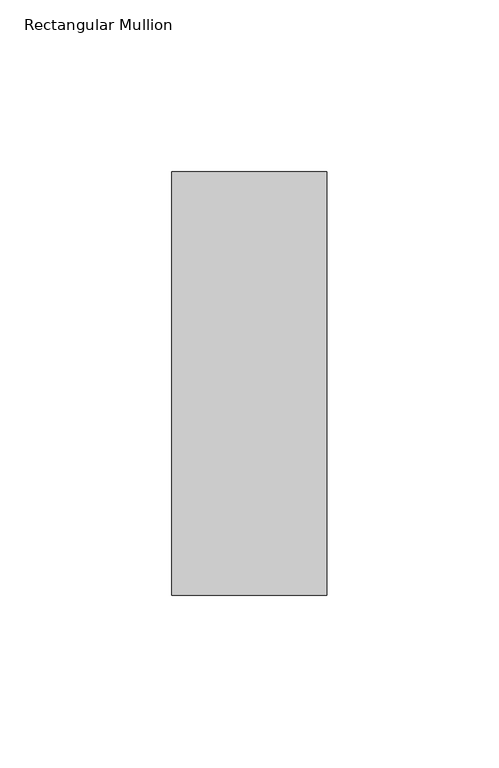
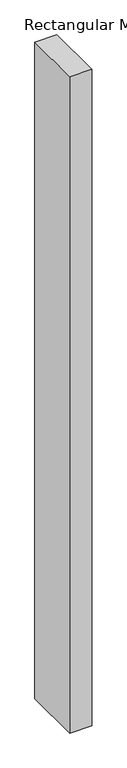
"""IFC4 building model written with IfcOpenShell, lengths in millimetres: member geometry, Rectangular Mullion."""

from ifc_helpers import new_model, si_unit, frame, origin, place, context, project, spatial, polyline, outline, extrude, source, transform, mapped, element, save


def rectangular_mullion_a7b92efa(model_context):
    return source(origin(), model_context, "Body", "SweptSolid", [
        extrude(outline(polyline([(-45.0, 77.05), (0.0, 77.05), (0.0, -46.05), (-45.0, -46.05), (-45.0, 77.05)])), frame((0.0, 0.0, -1418.0437978), z_axis=(0.0, 0.0, 1.0), x_axis=(1.0, 0.0, 0.0)), (0.0, 0.0, 1.0), 1418.0437978),
    ])


if __name__ == "__main__":
    model = new_model("IFC4")
    model_context = context("Model", 3, world=origin())
    ifc_project = project(units=[si_unit("LENGTHUNIT", "METRE", prefix="MILLI")], contexts=[model_context])
    site = spatial("IfcSite", under=ifc_project)
    building = spatial("IfcBuilding", under=site)
    placement = place(None, origin())
    rectangular_mullion_shape = rectangular_mullion_a7b92efa(model_context)
    element("IfcMember", 1, ObjectType="Rectangular Mullion", at=placement, inside=building, context=model_context, shape_type="MappedRepresentation", body=[
        mapped(rectangular_mullion_shape, transform((0.0, 0.0, 0.0), x_axis=(1.0, 0.0, 0.0), y_axis=(0.0, 1.0, 0.0), z_axis=(0.0, 0.0, 1.0))),
    ])
    save(model, "model.ifc")
